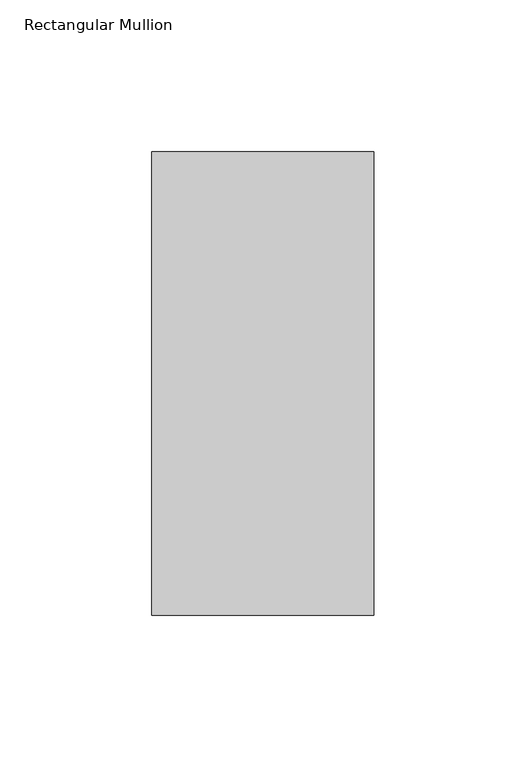
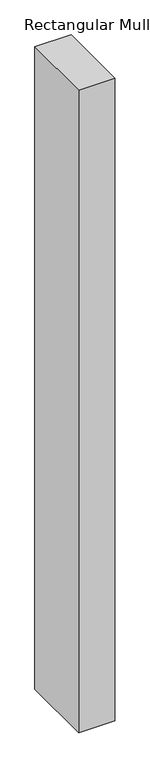
"""IFC4 building model written with IfcOpenShell, lengths in millimetres: member geometry, Rectangular Mullion."""

from ifc_helpers import new_model, si_unit, frame, origin, place, context, project, spatial, polyline, outline, extrude, source, transform, mapped, element, save


def rectangular_mullion_790eec01(model_context):
    return source(origin(), model_context, "Body", "SweptSolid", [
        extrude(outline(polyline([(-73.0249529, -26.19375), (-73.0249529, 126.20625), (0.0, 126.20625), (0.0, -26.19375), (-73.0249529, -26.19375)])), frame((0.0, 0.0, -1371.6), z_axis=(0.0, 0.0, 1.0), x_axis=(1.0, 0.0, 0.0)), (0.0, 0.0, 1.0), 1371.6),
    ])


if __name__ == "__main__":
    model = new_model("IFC4")
    model_context = context("Model", 3, world=origin())
    ifc_project = project(units=[si_unit("LENGTHUNIT", "METRE", prefix="MILLI")], contexts=[model_context])
    site = spatial("IfcSite", under=ifc_project)
    building = spatial("IfcBuilding", under=site)
    placement = place(None, origin())
    rectangular_mullion_shape = rectangular_mullion_790eec01(model_context)
    element("IfcMember", 1, ObjectType="Rectangular Mullion", at=placement, inside=building, context=model_context, shape_type="MappedRepresentation", body=[
        mapped(rectangular_mullion_shape, transform((0.0, 0.0, 0.0), x_axis=(1.0, 0.0, 0.0), y_axis=(0.0, 1.0, 0.0), z_axis=(0.0, 0.0, 1.0))),
    ])
    save(model, "model.ifc")
